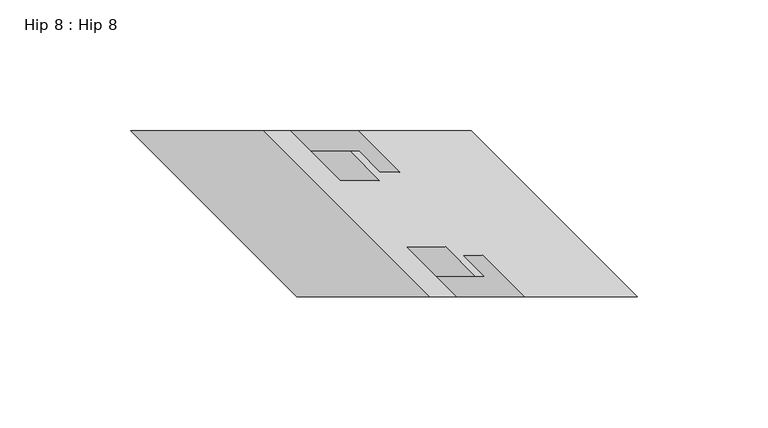
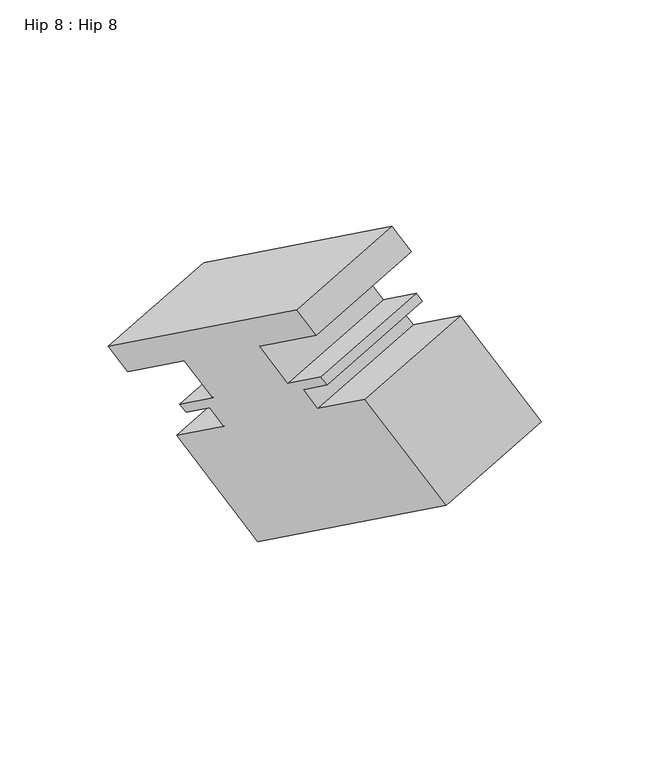
"""IFC4 building model written with IfcOpenShell, lengths in millimetres: proxy geometry, Hip 8 : Hip 8."""

from ifc_helpers import new_model, si_unit, origin, place, context, project, spatial, faceted_brep, source, transform, mapped, element, save


def hip_8_hip_8_ea111033(model_context):
    return source(origin(), model_context, "Body", "Brep", [
        faceted_brep([(-9658.9979707, 9764.6035481, 1350.8186617), (-9709.6654512, 9764.6035481, 1321.5657782), (-9646.1654512, 9701.1035481, 1358.2275203), (-9595.4979707, 9701.1035481, 1387.4804037), (-9635.8467012, 9701.1035481, 1340.354921), (-9585.1792207, 9701.1035481, 1369.6078045), (-9654.8776512, 9720.1535481, 1329.3234028), (-9604.2101707, 9720.1535481, 1358.5762863), (-9639.8154512, 9720.1535481, 1303.2349071), (-9589.1479707, 9720.1535481, 1332.4877906), (-9628.6902512, 9709.0283481, 1309.6580443), (-9578.0227707, 9709.0283481, 1338.9109278), (-9625.3743606, 9709.0283481, 1303.9147533), (-9574.7068801, 9709.0283481, 1333.1676368), (-9633.3245606, 9716.9785481, 1299.3247032), (-9582.6570801, 9716.9785481, 1328.5775867), (-9625.7438512, 9716.9785481, 1286.1945294), (-9575.0763707, 9716.9785481, 1315.4474129), (-9609.8688512, 9701.1035481, 1295.3599649), (-9559.2013707, 9701.1035481, 1324.6128484), (-9566.5999512, 9701.1035481, 1220.4160317), (-9515.9324707, 9701.1035481, 1249.6689152), (-9630.0999512, 9764.6035481, 1183.7542896), (-9579.4324707, 9764.6035481, 1213.0071731), (-9673.3688512, 9764.6035481, 1258.6982228), (-9622.7013707, 9764.6035481, 1287.9511063), (-9657.4938512, 9748.7285481, 1267.8636584), (-9606.8263707, 9748.7285481, 1297.1165418), (-9665.0249512, 9748.7285481, 1280.9079062), (-9614.3574707, 9748.7285481, 1310.1607897), (-9672.9751512, 9756.6787481, 1276.3178561), (-9622.3076707, 9756.6787481, 1305.5707396), (-9676.3342165, 9756.6787481, 1282.1359279), (-9625.6667361, 9756.6787481, 1311.3888114), (-9665.2090165, 9745.5535481, 1288.5590651), (-9614.5415361, 9745.5535481, 1317.8119486), (-9680.2776512, 9745.5535481, 1314.658706), (-9629.6101707, 9745.5535481, 1343.9115894), (-9699.3276512, 9764.6035481, 1303.6601833), (-9648.6601707, 9764.6035481, 1332.9130668)], [[[0, 1, 2, 3]], [[3, 2, 4, 5]], [[5, 4, 6, 7]], [[7, 6, 8, 9]], [[9, 8, 10, 11]], [[11, 10, 12, 13]], [[13, 12, 14, 15]], [[15, 14, 16, 17]], [[17, 16, 18, 19]], [[19, 18, 20, 21]], [[21, 20, 22, 23]], [[23, 22, 24, 25]], [[25, 24, 26, 27]], [[27, 26, 28, 29]], [[29, 28, 30, 31]], [[31, 30, 32, 33]], [[33, 32, 34, 35]], [[35, 34, 36, 37]], [[37, 36, 38, 39]], [[1, 0, 39, 38]], [[2, 1, 38, 36, 34, 32, 30, 28, 26, 24, 22, 20, 18, 16, 14, 12, 10, 8, 6, 4]], [[0, 3, 5, 7, 9, 11, 13, 15, 17, 19, 21, 23, 25, 27, 29, 31, 33, 35, 37, 39]]]),
    ])


if __name__ == "__main__":
    model = new_model("IFC4")
    model_context = context("Model", 3, world=origin())
    ifc_project = project(units=[si_unit("LENGTHUNIT", "METRE", prefix="MILLI")], contexts=[model_context])
    site = spatial("IfcSite", under=ifc_project)
    building = spatial("IfcBuilding", under=site)
    placement = place(None, origin())
    hip_8_hip_8_shape = hip_8_hip_8_ea111033(model_context)
    element("IfcBuildingElementProxy", 1, Name="Hip 8 : Hip 8", ObjectType="Hip 8 : Hip 8", at=placement, inside=building, context=model_context, shape_type="MappedRepresentation", body=[
        mapped(hip_8_hip_8_shape, transform((0.0, 0.0, 0.0), x_axis=(1.0, 0.0, 0.0), y_axis=(0.0, 1.0, 0.0), z_axis=(0.0, 0.0, 1.0))),
    ])
    save(model, "model.ifc")
